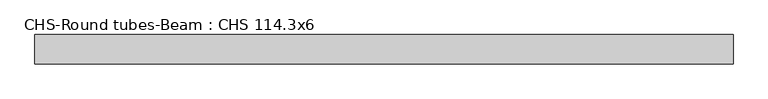
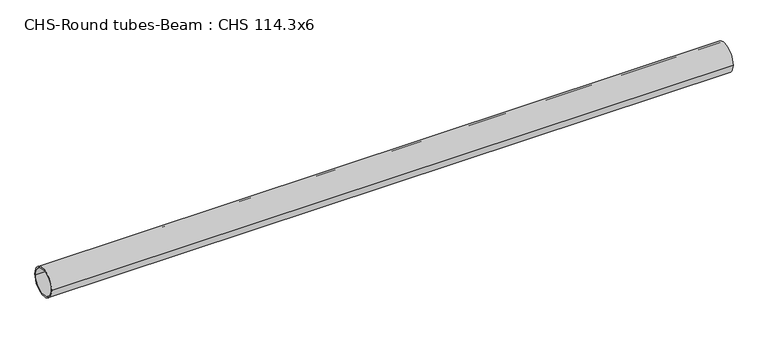
"""IFC4 building model written with IfcOpenShell, lengths in millimetres: beam geometry, CHS-Round tubes-Beam : CHS 114.3x6."""

import ifcopenshell
import ifcopenshell.guid

model = None  # the IFC model being written
_history = None  # IfcOwnerHistory: only IFC2X3 demands one
_inside = {}  # id of a spatial element -> (the spatial element, [elements in it])
_under = {}  # id of a project, library or spatial element -> (it, [spatial elements below it])
_declared = {}  # id of a project -> (the project, [libraries it declares])
_typed = {}  # id of a type object -> (the type object, [elements of that type])
_made_of = {}  # id of a material, layer set ... -> (it, [elements and type objects made of it])


def new_model(schema):
    """Start an empty IFC model of exactly this schema.

    Asked for "IFC4X3", IfcOpenShell would pick the latest addendum, in which some entities
    have other attributes; the version numbers below select the first issue.
    IFC2X3 requires an IfcOwnerHistory on every rooted entity: one is made here for all.
    """
    global model, _history
    if schema == "IFC4X3":
        model = ifcopenshell.file(schema_version=(4, 3, 0, 0))
    else:
        model = ifcopenshell.file(schema=schema)
    _inside.clear()
    _under.clear()
    _declared.clear()
    _typed.clear()
    _made_of.clear()
    _history = None
    if model.schema == "IFC2X3":
        org = make("IfcOrganization", Name="unknown")
        user = make(
            "IfcPersonAndOrganization",
            ThePerson=make("IfcPerson", FamilyName="unknown"),
            TheOrganization=org,
        )
        app = make(
            "IfcApplication",
            ApplicationDeveloper=org,
            Version="unknown",
            ApplicationFullName="unknown",
            ApplicationIdentifier="unknown",
        )
        _history = make(
            "IfcOwnerHistory",
            OwningUser=user,
            OwningApplication=app,
            ChangeAction="ADDED",
            CreationDate=0,
        )
    return model


def make(cls, **values):
    """One entity of the class cls with the attributes given. An attribute that is None is left unset."""
    return model.create_entity(
        cls, **{name: value for name, value in values.items() if value is not None}
    )


def rooted(cls, **values):
    """An entity with a GlobalId (a new one), such as an element, a storey or a relation."""
    return make(cls, GlobalId=ifcopenshell.guid.new(), OwnerHistory=_history, **values)


def si_unit(unit_type, name, prefix=None):
    """IfcSIUnit, for example si_unit("LENGTHUNIT", "METRE", prefix="MILLI")."""
    return make("IfcSIUnit", UnitType=unit_type, Prefix=prefix, Name=name)


def assignment(units):
    """IfcUnitAssignment: the units of a project."""
    return None if units is None else make("IfcUnitAssignment", Units=units)


def point(xyz):
    """IfcCartesianPoint."""
    return None if xyz is None else make("IfcCartesianPoint", Coordinates=xyz)


def direction(xyz):
    """IfcDirection."""
    return None if xyz is None else make("IfcDirection", DirectionRatios=xyz)


def frame(location, z_axis=None, x_axis=None):
    """IfcAxis2Placement3D, a coordinate frame: its origin and axes. An axis left out is left unset."""
    return make(
        "IfcAxis2Placement3D",
        Location=point(location),
        Axis=direction(z_axis),
        RefDirection=direction(x_axis),
    )


def frame_2d(location, x_axis=None):
    """IfcAxis2Placement2D, a coordinate frame in the plane: its origin and x axis."""
    return make(
        "IfcAxis2Placement2D", Location=point(location), RefDirection=direction(x_axis)
    )


def origin():
    """The frame at (0, 0, 0) with its axes left unset."""
    return frame((0.0, 0.0, 0.0))


def origin_2d():
    """The frame at (0, 0) in the plane with its x axis left unset."""
    return frame_2d((0.0, 0.0))


def place(relative_to, where):
    """IfcLocalPlacement: puts the frame where relative to a parent placement (None: the world)."""
    return make(
        "IfcLocalPlacement", PlacementRelTo=relative_to, RelativePlacement=where
    )


def context(
    kind, dimensions, precision=None, world=None, true_north=None, identifier=None
):
    """IfcGeometricRepresentationContext, for example the 3D "Model" context."""
    return make(
        "IfcGeometricRepresentationContext",
        ContextIdentifier=identifier,
        ContextType=kind,
        CoordinateSpaceDimension=dimensions,
        Precision=precision,
        WorldCoordinateSystem=world,
        TrueNorth=true_north,
    )


def project(units=None, contexts=None):
    """IfcProject with its units and contexts."""
    return rooted(
        "IfcProject",
        Name="project",
        RepresentationContexts=contexts,
        UnitsInContext=assignment(units),
    )


def spatial(cls, under=None, at=None, **own):
    """A site, building, storey or space (cls), placed at a placement, below another one or the project."""
    s = rooted(cls, ObjectPlacement=at, **own)
    if under is not None:
        _under.setdefault(under.id(), (under, []))[1].append(s)
    return s


def circle_curve(where, radius):
    """IfcCircle in the frame where."""
    return make("IfcCircle", Position=where, Radius=radius)


def trimmed(basis, trim1, trim2, sense, master):
    """IfcTrimmedCurve: the piece of a basis curve between two trims."""
    return make(
        "IfcTrimmedCurve",
        BasisCurve=basis,
        Trim1=trim1,
        Trim2=trim2,
        SenseAgreement=sense,
        MasterRepresentation=master,
    )


def segment(curve, same_sense, transition):
    """IfcCompositeCurveSegment."""
    return make(
        "IfcCompositeCurveSegment",
        Transition=transition,
        SameSense=same_sense,
        ParentCurve=curve,
    )


def composite_curve(segments, self_intersect=None):
    """IfcCompositeCurve: segments joined end to end."""
    return make("IfcCompositeCurve", Segments=segments, SelfIntersect=self_intersect)


def outline(outer, holes=None, kind="AREA"):
    """IfcArbitraryClosedProfileDef: a profile drawn as a closed curve; with holes, ...WithVoids."""
    if holes is None:
        return make("IfcArbitraryClosedProfileDef", ProfileType=kind, OuterCurve=outer)
    return make(
        "IfcArbitraryProfileDefWithVoids",
        ProfileType=kind,
        OuterCurve=outer,
        InnerCurves=holes,
    )


def extrude(swept, where, along, depth):
    """IfcExtrudedAreaSolid: the profile swept, set in the frame where, extruded along a direction by depth."""
    return make(
        "IfcExtrudedAreaSolid",
        SweptArea=swept,
        Position=where,
        ExtrudedDirection=direction(along),
        Depth=depth,
    )


def shape(context_of_items, identifier, shape_type, items):
    """IfcShapeRepresentation: the items that make up one representation, for example the "Body"."""
    return make(
        "IfcShapeRepresentation",
        ContextOfItems=context_of_items,
        RepresentationIdentifier=identifier,
        RepresentationType=shape_type,
        Items=items,
    )


def source(mapping_origin, context_of_items, identifier, shape_type, items):
    """IfcRepresentationMap: a shape defined once, which mapped items show again and again."""
    return make(
        "IfcRepresentationMap",
        MappingOrigin=mapping_origin,
        MappedRepresentation=shape(context_of_items, identifier, shape_type, items),
    )


def transform(
    local_origin,
    x_axis=None,
    y_axis=None,
    z_axis=None,
    scale=None,
    scale2=None,
    scale3=None,
    uniform=True,
):
    """IfcCartesianTransformationOperator3D, or its non-uniform kind. x_axis, y_axis, z_axis: its Axis1, 2, 3."""
    if uniform:
        return make(
            "IfcCartesianTransformationOperator3D",
            Axis1=direction(x_axis),
            Axis2=direction(y_axis),
            LocalOrigin=point(local_origin),
            Scale=scale,
            Axis3=direction(z_axis),
        )
    return make(
        "IfcCartesianTransformationOperator3DnonUniform",
        Axis1=direction(x_axis),
        Axis2=direction(y_axis),
        LocalOrigin=point(local_origin),
        Scale=scale,
        Axis3=direction(z_axis),
        Scale2=scale2,
        Scale3=scale3,
    )


def mapped(mapping_source, mapping_target):
    """IfcMappedItem: shows the shape of a source again, moved by a transform."""
    return make(
        "IfcMappedItem", MappingSource=mapping_source, MappingTarget=mapping_target
    )


def made_of(thing, what):
    """Note that an element or type object is made of a material, layer set ...; save() writes the relation."""
    if what is not None:
        _made_of.setdefault(what.id(), (what, []))[1].append(thing)
    return thing


def element(
    cls,
    number,
    at=None,
    inside=None,
    cuts=None,
    type_object=None,
    material=None,
    context=None,
    identifier="Body",
    shape_type=None,
    held_by="IfcProductDefinitionShape",
    body=None,
    shapes=None,
    **own,
):
    """One element of the class cls, such as IfcWall. Its Tag is "e" and its number.

    at: its placement. inside: the storey or other place that contains it. cuts: it is an
    opening in that element (IfcRelVoidsElement). A single representation is given by context,
    identifier, shape_type and body (its items); several are given by shapes. held_by: the class
    of the entity that holds the representations. save() writes the other relations.
    """
    e = rooted(cls, Tag="e%d" % number, ObjectPlacement=at, **own)
    if body is not None:
        shapes = [shape(context, identifier, shape_type, body)]
    if shapes is not None:
        e.Representation = make(held_by, Representations=shapes)
    if inside is not None:
        _inside.setdefault(inside.id(), (inside, []))[1].append(e)
    if cuts is not None:
        rooted(
            "IfcRelVoidsElement", RelatingBuildingElement=cuts, RelatedOpeningElement=e
        )
    if type_object is not None:
        _typed.setdefault(type_object.id(), (type_object, []))[1].append(e)
    return made_of(e, material)


def aggregate(whole, parts):
    """IfcRelAggregates: a whole, such as a stair, and the parts it consists of."""
    return rooted("IfcRelAggregates", RelatingObject=whole, RelatedObjects=parts)


def save(model, path):
    """Write the relations noted so far, then the file.

    IfcRelAggregates (storeys below a building ...), IfcRelContainedInSpatialStructure (elements
    in a storey), IfcRelDefinesByType, IfcRelAssociatesMaterial and IfcRelDeclares: one each for
    every whole, place, type object, material and project.
    """
    for whole, parts in _under.values():
        aggregate(whole, parts)
    for where, things in _inside.values():
        rooted(
            "IfcRelContainedInSpatialStructure",
            RelatedElements=things,
            RelatingStructure=where,
        )
    for kind, things in _typed.values():
        rooted("IfcRelDefinesByType", RelatedObjects=things, RelatingType=kind)
    for what, things in _made_of.values():
        rooted("IfcRelAssociatesMaterial", RelatedObjects=things, RelatingMaterial=what)
    for by, libraries in _declared.values():
        rooted("IfcRelDeclares", RelatingContext=by, RelatedDefinitions=libraries)
    model.write(path)


def chs_round_tubes_beam_chs_114_3x6_a615bc7c(model_context):
    return source(origin(), model_context, "Body", "SweptSolid", [
        extrude(outline(composite_curve([segment(trimmed(circle_curve(origin_2d(), 57.15), [point((57.15, 0.0))], [point((-57.15, 0.0))], False, "CARTESIAN"), True, "CONTINUOUS"), segment(trimmed(circle_curve(origin_2d(), 57.15), [point((-57.15, 0.0))], [point((57.15, 0.0))], False, "CARTESIAN"), True, "CONTINUOUS")], self_intersect=False), holes=[composite_curve([segment(trimmed(circle_curve(origin_2d(), 51.15), [point((51.15, 0.0))], [point((-51.15, 0.0))], True, "CARTESIAN"), True, "CONTINUOUS"), segment(trimmed(circle_curve(origin_2d(), 51.15), [point((-51.15, 0.0))], [point((51.15, 0.0))], True, "CARTESIAN"), True, "CONTINUOUS")], self_intersect=False)]), frame((-1308.630147, 0.0, 0.0), z_axis=(1.0, 0.0, 0.0), x_axis=(0.0, 1.0, 0.0)), (0.0, 0.0, 1.0), 2702.3064201),
    ])


if __name__ == "__main__":
    model = new_model("IFC4")
    model_context = context("Model", 3, world=origin())
    ifc_project = project(units=[si_unit("LENGTHUNIT", "METRE", prefix="MILLI")], contexts=[model_context])
    site = spatial("IfcSite", under=ifc_project)
    building = spatial("IfcBuilding", under=site)
    placement = place(None, origin())
    chs_round_tubes_beam_chs_114_3x6_shape = chs_round_tubes_beam_chs_114_3x6_a615bc7c(model_context)
    element("IfcBeam", 1, ObjectType="CHS-Round tubes-Beam : CHS 114.3x6", at=placement, inside=building, context=model_context, shape_type="MappedRepresentation", body=[
        mapped(chs_round_tubes_beam_chs_114_3x6_shape, transform((0.0, 0.0, 0.0), x_axis=(1.0, 0.0, 0.0), y_axis=(0.0, 1.0, 0.0), z_axis=(0.0, 0.0, 1.0))),
    ])
    save(model, "model.ifc")
